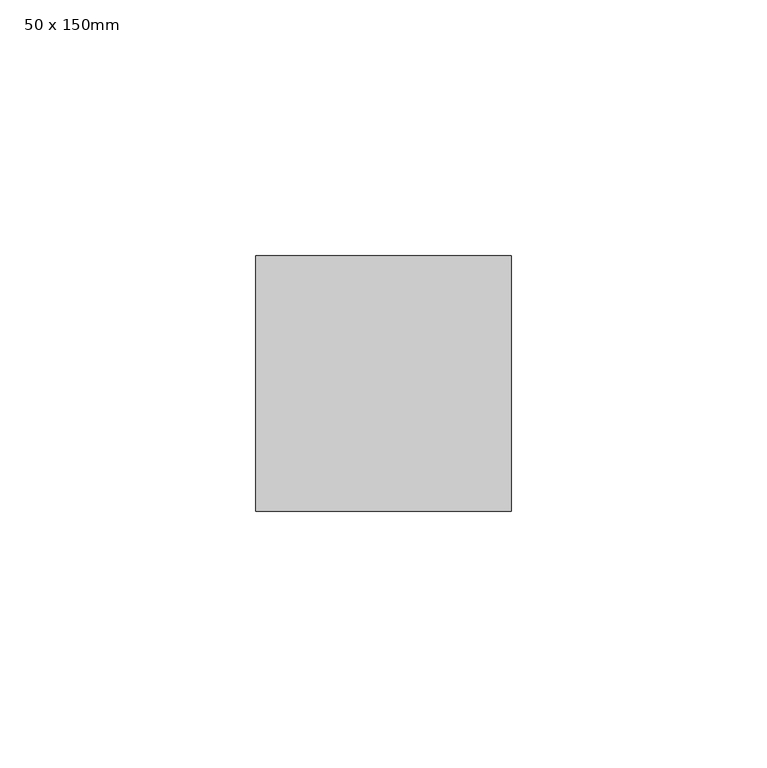
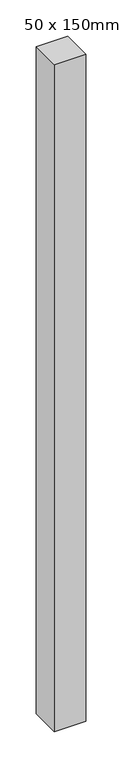
"""IFC4 building model written with IfcOpenShell, lengths in millimetres: member geometry, 50 x 150mm."""

from ifc_helpers import new_model, si_unit, frame, origin, place, context, project, spatial, polyline, outline, extrude, source, transform, mapped, element, save


def member_50_x_150mm_ef1d7fbf(model_context):
    return source(origin(), model_context, "Body", "SweptSolid", [
        extrude(outline(polyline([(25.0, 25.0), (25.0, -25.0), (-25.0, -25.0), (-25.0, 25.0), (25.0, 25.0)])), frame((0.0, 0.0, -1125.0), z_axis=(0.0, 0.0, 1.0), x_axis=(1.0, 0.0, 0.0)), (0.0, 0.0, 1.0), 1125.0),
    ])


if __name__ == "__main__":
    model = new_model("IFC4")
    model_context = context("Model", 3, world=origin())
    ifc_project = project(units=[si_unit("LENGTHUNIT", "METRE", prefix="MILLI")], contexts=[model_context])
    site = spatial("IfcSite", under=ifc_project)
    building = spatial("IfcBuilding", under=site)
    placement = place(None, origin())
    member_50_x_150mm_shape = member_50_x_150mm_ef1d7fbf(model_context)
    element("IfcMember", 1, ObjectType="50 x 150mm", at=placement, inside=building, context=model_context, shape_type="MappedRepresentation", body=[
        mapped(member_50_x_150mm_shape, transform((0.0, 0.0, 0.0), x_axis=(1.0, 0.0, 0.0), y_axis=(0.0, 1.0, 0.0), z_axis=(0.0, 0.0, 1.0))),
    ])
    save(model, "model.ifc")
